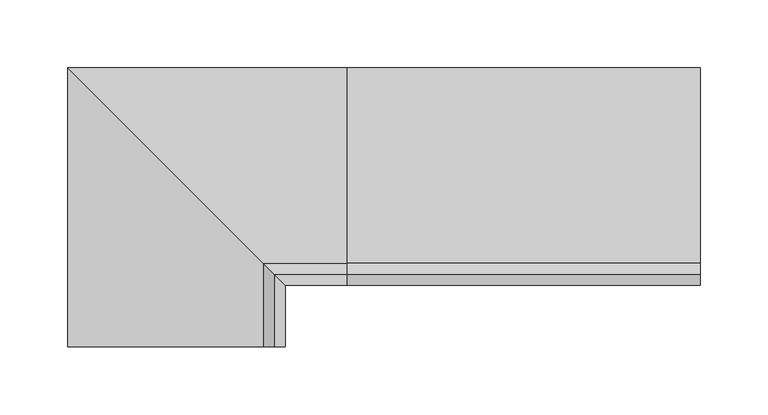
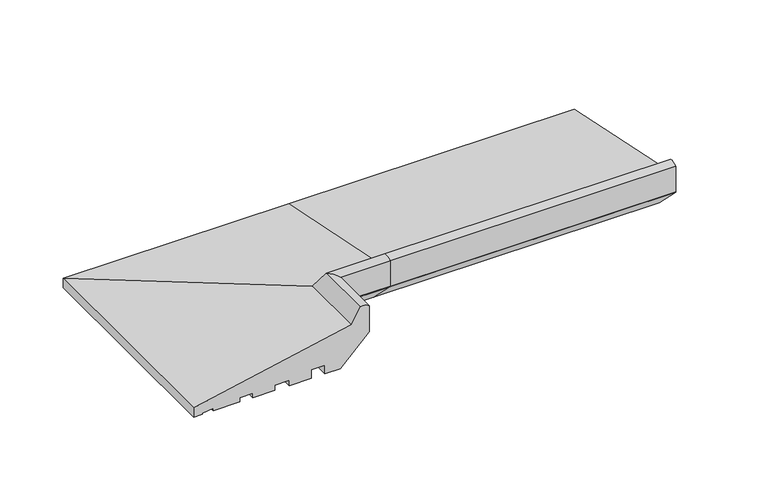
"""IFC4 building model written with IfcOpenShell, lengths in millimetres: proxy geometry."""

from ifc_helpers import new_model, si_unit, point, frame, frame_2d, origin, place, context, project, spatial, polyline, circle_curve, ellipse_curve, trimmed, segment, composite_curve, outline, extrude, source, transform, mapped, element, save
from ifc_brep_helpers import plane_surface, cylinder_surface, advanced_brep


def generic_models_9d031791(model_context):
    return source(origin(), model_context, "Body", "SolidModel", [
        advanced_brep(
        [(0.0, 16.9634146, 2.0714803), (0.0, 27.0536769, 0.9956448), (0.0, 27.0536769, 0.0), (0.0, 35.0, 0.0), (0.0, 35.0, 9.1871592), (0.0, -108.4970481, 38.6463845), (0.0, -116.6949035, 52.9234409), (0.0, -125.0, 51.2355304), (0.0, -125.0, 27.0076366), (0.0, -124.2741015, 25.9409736), (0.0, -98.3331279, 0.0), (0.0, -84.3282852, 0.0), (0.0, -84.3282852, 7.9636602), (0.0, -71.9994005, 7.9636602), (0.0, -71.9994005, 0.0), (0.0, -51.9659993, 0.0), (0.0, -51.9659993, 5.0), (0.0, -38.9970202, 5.0), (0.0, -38.9970202, 0.0), (0.0, -18.9957985, 0.0), (0.0, -18.9957985, 4.0148089), (0.0, -7.0449052, 4.0148089), (0.0, -7.0449052, 0.0), (0.0, 16.9634146, 0.0), (-186.9634146, -170.0, 2.0714803), (-186.9634146, -170.0, 0.0), (-162.9550948, -170.0, 0.0), (-162.9550948, -170.0, 4.0148089), (-151.0042015, -170.0, 4.0148089), (-151.0042015, -170.0, 0.0), (-131.0029798, -170.0, 0.0), (-131.0029798, -170.0, 5.0), (-118.0340007, -170.0, 5.0), (-118.0340007, -170.0, 0.0), (-98.0005995, -170.0, 0.0), (-98.0005995, -170.0, 7.9636602), (-85.6717148, -170.0, 7.9636602), (-85.6717148, -170.0, 0.0), (-71.6668721, -170.0, 0.0), (-45.7258985, -170.0, 25.9409736), (-45.0, -170.0, 27.0076366), (-45.0, -170.0, 51.2355304), (-53.3050965, -170.0, 52.9234409), (-61.5029519, -170.0, 38.6463845), (-205.0, -170.0, 9.1871592), (-205.0, -170.0, 0.0), (-197.0536769, -170.0, 0.0), (-197.0536769, -170.0, 0.9956448), (-186.9634146, 16.9634146, 2.0714803), (-197.0536769, 27.0536769, 0.9956448), (-205.0, 35.0, 0.0), (-205.0, 35.0, 9.1871592), (-197.0536769, 27.0536769, 0.0), (-61.5029519, -108.4970481, 38.6463845), (-53.3050965, -116.6949035, 52.9234409), (-45.0, -125.0, 51.2355304), (-45.0, -125.0, 27.0076366), (-45.7258985, -124.2741015, 25.9409736), (-71.6668721, -98.3331279, 0.0), (-85.6717148, -84.3282852, 0.0), (-85.6717148, -84.3282852, 7.9636602), (-98.0005995, -71.9994005, 7.9636602), (-98.0005995, -71.9994005, 0.0), (-118.0340007, -51.9659993, 0.0), (-118.0340007, -51.9659993, 5.0), (-131.0029798, -38.9970202, 5.0), (-131.0029798, -38.9970202, 0.0), (-151.0042015, -18.9957985, 0.0), (-151.0042015, -18.9957985, 4.0148089), (-162.9550948, -7.0449052, 4.0148089), (-162.9550948, -7.0449052, 0.0), (-186.9634146, 16.9634146, 0.0)],
        [
            (0, 1),
            (1, 2),
            (2, 3),
            (3, 4),
            (4, 5),
            (5, 6),
            (6, 7, circle_curve(frame((0.0, -118.9446027, 42.7168184), z_axis=(1.0, 0.0, 0.0), x_axis=(0.0, 1.0, 0.0)), 10.4516166)),
            (7, 8),
            (8, 9, circle_curve(frame((0.0, -121.8315077, 28.3835674), z_axis=(1.0, 0.0, 0.0), x_axis=(0.0, 1.0, 0.0)), 3.4543493)),
            (9, 10),
            (10, 11),
            (11, 12),
            (12, 13),
            (13, 14),
            (14, 15),
            (15, 16),
            (16, 17),
            (17, 18),
            (18, 19),
            (19, 20),
            (20, 21),
            (21, 22),
            (22, 23),
            (23, 0),
            (24, 25),
            (25, 26),
            (26, 27),
            (27, 28),
            (28, 29),
            (29, 30),
            (30, 31),
            (31, 32),
            (32, 33),
            (33, 34),
            (34, 35),
            (35, 36),
            (36, 37),
            (37, 38),
            (38, 39),
            (39, 40, circle_curve(frame((-48.1684923, -170.0, 28.3835674), z_axis=(0.0, -1.0, 0.0), x_axis=(-1.0, 0.0, 0.0)), 3.4543493)),
            (40, 41),
            (41, 42, circle_curve(frame((-51.0553973, -170.0, 42.7168184), z_axis=(0.0, -1.0, 0.0), x_axis=(-1.0, 0.0, 0.0)), 10.4516166)),
            (42, 43),
            (43, 44),
            (44, 45),
            (45, 46),
            (46, 47),
            (47, 24),
            (0, 48),
            (48, 49),
            (49, 1),
            (3, 50),
            (50, 51),
            (51, 4),
            (2, 52),
            (52, 46),
            (45, 50),
            (49, 52),
            (51, 53),
            (53, 5),
            (53, 54),
            (54, 6),
            (54, 55, ellipse_curve(frame((-51.0553973, -118.9446027, 42.7168184), z_axis=(0.7071067811865492, 0.7071067811865458, 0.0), x_axis=(0.7071067811865458, -0.7071067811865491, 0.0)), 14.780818, 10.4516166)),
            (55, 7),
            (8, 56),
            (56, 57, ellipse_curve(frame((-48.1684923, -121.8315077, 28.3835674), z_axis=(0.7071067811865492, 0.7071067811865458, 0.0), x_axis=(0.7071067811865458, -0.7071067811865491, 0.0)), 4.8851877, 3.4543493)),
            (57, 9),
            (57, 58),
            (58, 10),
            (58, 38),
            (37, 59),
            (59, 11),
            (59, 60),
            (60, 12),
            (60, 36),
            (35, 61),
            (61, 13),
            (61, 62),
            (62, 14),
            (62, 34),
            (33, 63),
            (63, 15),
            (63, 64),
            (64, 16),
            (64, 32),
            (31, 65),
            (65, 17),
            (65, 66),
            (66, 18),
            (66, 30),
            (29, 67),
            (67, 19),
            (67, 68),
            (68, 20),
            (68, 28),
            (27, 69),
            (69, 21),
            (69, 70),
            (70, 22),
            (70, 26),
            (25, 71),
            (71, 23),
            (71, 48),
            (48, 24),
            (47, 49),
            (44, 51),
            (43, 53),
            (42, 54),
            (41, 55),
            (56, 40),
            (39, 57),
            (55, 56),
        ],
        [
            plane_surface(frame((0.0, 35.0, 0.0), z_axis=(1.0, 0.0, 0.0), x_axis=(0.0, 0.0, 1.0))),
            plane_surface(frame((-205.0, -170.0, 0.0), z_axis=(0.0, -1.0, 0.0), x_axis=(0.0, 0.0, 1.0))),
            plane_surface(frame((0.0, 16.9634146, 2.0714803), z_axis=(0.0, -0.10602024100591773, -0.9943639718418237), x_axis=(-1.0, 0.0, 0.0))),
            plane_surface(frame((0.0, 35.0, 0.0), z_axis=(0.0, 1.0, 0.0), x_axis=(-1.0, 0.0, 0.0))),
            plane_surface(frame((0.0, 27.0536769, 0.0), z_axis=(0.0, 0.0, -1.0), x_axis=(-1.0, 0.0, 0.0))),
            plane_surface(frame((0.0, 27.0536769, 0.9956448), z_axis=(0.0, -1.0, 0.0), x_axis=(-1.0, 0.0, 0.0))),
            plane_surface(frame((0.0, 35.0, 9.1871592), z_axis=(0.0, 0.20110092371128924, 0.9795705275693355), x_axis=(-1.0, 0.0, 0.0))),
            plane_surface(frame((0.0, -108.4970481, 38.6463845), z_axis=(0.0, 0.867206740138978, 0.49794826022140815), x_axis=(-1.0, 0.0, 0.0))),
            cylinder_surface(frame((0.0, -118.9446027, 42.7168184), z_axis=(1.0, 0.0, 0.0), x_axis=(0.0, 1.0, 0.0)), 10.4516166),
            cylinder_surface(frame((0.0, -121.8315077, 28.3835674), z_axis=(1.0, 0.0, 0.0), x_axis=(0.0, 1.0, 0.0)), 3.4543493),
            plane_surface(frame((0.0, -124.2741015, 25.9409736), z_axis=(0.0, -0.7071067811865471, -0.707106781186548), x_axis=(-1.0, 0.0, 0.0))),
            plane_surface(frame((0.0, -98.3331279, 0.0), z_axis=(0.0, 0.0, -1.0), x_axis=(-1.0, 0.0, 0.0))),
            plane_surface(frame((0.0, -84.3282852, 0.0), z_axis=(0.0, 1.0, 0.0), x_axis=(-1.0, 0.0, 0.0))),
            plane_surface(frame((0.0, -84.3282852, 7.9636602), z_axis=(0.0, 0.0, -1.0), x_axis=(-1.0, 0.0, 0.0))),
            plane_surface(frame((0.0, -71.9994005, 7.9636602), z_axis=(0.0, -1.0, 0.0), x_axis=(-1.0, 0.0, 0.0))),
            plane_surface(frame((0.0, -71.9994005, 0.0), z_axis=(0.0, 0.0, -1.0), x_axis=(-1.0, 0.0, 0.0))),
            plane_surface(frame((0.0, -51.9659993, 0.0), z_axis=(0.0, 1.0, 0.0), x_axis=(-1.0, 0.0, 0.0))),
            plane_surface(frame((0.0, -51.9659993, 5.0), z_axis=(0.0, 0.0, -1.0), x_axis=(-1.0, 0.0, 0.0))),
            plane_surface(frame((0.0, -38.9970202, 5.0), z_axis=(0.0, -1.0, 0.0), x_axis=(-1.0, 0.0, 0.0))),
            plane_surface(frame((0.0, -38.9970202, 0.0), z_axis=(0.0, 0.0, -1.0), x_axis=(-1.0, 0.0, 0.0))),
            plane_surface(frame((0.0, -18.9957985, 0.0), z_axis=(0.0, 1.0, 0.0), x_axis=(-1.0, 0.0, 0.0))),
            plane_surface(frame((0.0, -18.9957985, 4.0148089), z_axis=(0.0, 0.0, -1.0), x_axis=(-1.0, 0.0, 0.0))),
            plane_surface(frame((0.0, -7.0449052, 4.0148089), z_axis=(0.0, -1.0, 0.0), x_axis=(-1.0, 0.0, 0.0))),
            plane_surface(frame((0.0, -7.0449052, 0.0), z_axis=(0.0, 0.0, -1.0), x_axis=(-1.0, 0.0, 0.0))),
            plane_surface(frame((0.0, 16.9634146, 0.0), z_axis=(0.0, 1.0, 0.0), x_axis=(-1.0, 0.0, 0.0))),
            plane_surface(frame((-186.9634146, 16.9634146, 2.0714803), z_axis=(0.1060202410059177, 0.0, -0.9943639718418237), x_axis=(0.0, -1.0, 0.0))),
            plane_surface(frame((-205.0, 35.0, 0.0), z_axis=(-1.0, 0.0, 0.0), x_axis=(0.0, -1.0, 0.0))),
            plane_surface(frame((-197.0536769, 27.0536769, 0.9956448), z_axis=(1.0, 0.0, 0.0), x_axis=(0.0, -1.0, 0.0))),
            plane_surface(frame((-205.0, 35.0, 9.1871592), z_axis=(-0.20110092371128918, 0.0, 0.9795705275693355), x_axis=(0.0, -1.0, 0.0))),
            plane_surface(frame((-61.5029519, -108.4970481, 38.6463845), z_axis=(-0.867206740138978, 0.0, 0.49794826022140826), x_axis=(0.0, -1.0, 0.0))),
            cylinder_surface(frame((-51.0553973, 35.0, 42.7168184), z_axis=(0.0, 1.0, 0.0), x_axis=(-1.0, 0.0, 0.0)), 10.4516166),
            cylinder_surface(frame((-48.1684923, 35.0, 28.3835674), z_axis=(0.0, 1.0, 0.0), x_axis=(-1.0, 0.0, 0.0)), 3.4543493),
            plane_surface(frame((-45.7258985, -124.2741015, 25.9409736), z_axis=(0.707106781186547, 0.0, -0.707106781186548), x_axis=(0.0, -1.0, 0.0))),
            plane_surface(frame((-85.6717148, -84.3282852, 0.0), z_axis=(-1.0, 0.0, 0.0), x_axis=(0.0, -1.0, 0.0))),
            plane_surface(frame((-98.0005995, -71.9994005, 7.9636602), z_axis=(1.0, 0.0, 0.0), x_axis=(0.0, -1.0, 0.0))),
            plane_surface(frame((-118.0340007, -51.9659993, 0.0), z_axis=(-1.0, 0.0, 0.0), x_axis=(0.0, -1.0, 0.0))),
            plane_surface(frame((-131.0029798, -38.9970202, 5.0), z_axis=(1.0, 0.0, 0.0), x_axis=(0.0, -1.0, 0.0))),
            plane_surface(frame((-151.0042015, -18.9957985, 0.0), z_axis=(-1.0, 0.0, 0.0), x_axis=(0.0, -1.0, 0.0))),
            plane_surface(frame((-162.9550948, -7.0449052, 4.0148089), z_axis=(1.0, 0.0, 0.0), x_axis=(0.0, -1.0, 0.0))),
            plane_surface(frame((-186.9634146, 16.9634146, 0.0), z_axis=(-1.0, 0.0, 0.0), x_axis=(0.0, -1.0, 0.0))),
            plane_surface(frame((0.0, -125.0, 51.2355304), z_axis=(0.0, -1.0, 0.0), x_axis=(-1.0, 0.0, 0.0))),
            plane_surface(frame((-45.0, -125.0, 51.2355304), z_axis=(1.0, 0.0, 0.0), x_axis=(0.0, -1.0, 0.0))),
        ],
        [
            (0, [[1, 2, 3, 4, 5, 6, 7, 8, 9, 10, 11, 12, 13, 14, 15, 16, 17, 18, 19, 20, 21, 22, 23, 24]]),
            (1, [[25, 26, 27, 28, 29, 30, 31, 32, 33, 34, 35, 36, 37, 38, 39, 40, 41, 42, 43, 44, 45, 46, 47, 48]]),
            (2, [[-1, 49, 50, 51]]),
            (3, [[-4, 52, 53, 54]]),
            (4, [[-3, 55, 56, -46, 57, -52]]),
            (5, [[-2, -51, 58, -55]]),
            (6, [[-5, -54, 59, 60]]),
            (7, [[-6, -60, 61, 62]]),
            (8, [[-7, -62, 63, 64]]),
            (9, [[-9, 65, 66, 67]]),
            (10, [[-10, -67, 68, 69]]),
            (11, [[-11, -69, 70, -38, 71, 72]]),
            (12, [[-12, -72, 73, 74]]),
            (13, [[-13, -74, 75, -36, 76, 77]]),
            (14, [[-14, -77, 78, 79]]),
            (15, [[-15, -79, 80, -34, 81, 82]]),
            (16, [[-16, -82, 83, 84]]),
            (17, [[-17, -84, 85, -32, 86, 87]]),
            (18, [[-18, -87, 88, 89]]),
            (19, [[-19, -89, 90, -30, 91, 92]]),
            (20, [[-20, -92, 93, 94]]),
            (21, [[-21, -94, 95, -28, 96, 97]]),
            (22, [[-22, -97, 98, 99]]),
            (23, [[-23, -99, 100, -26, 101, 102]]),
            (24, [[-24, -102, 103, -49]]),
            (25, [[-50, 104, -48, 105]]),
            (26, [[-53, -57, -45, 106]]),
            (27, [[-58, -105, -47, -56]]),
            (28, [[-59, -106, -44, 107]]),
            (29, [[-61, -107, -43, 108]]),
            (30, [[-63, -108, -42, 109]]),
            (31, [[-66, 110, -40, 111]]),
            (32, [[-68, -111, -39, -70]]),
            (33, [[-73, -71, -37, -75]]),
            (34, [[-78, -76, -35, -80]]),
            (35, [[-83, -81, -33, -85]]),
            (36, [[-88, -86, -31, -90]]),
            (37, [[-93, -91, -29, -95]]),
            (38, [[-98, -96, -27, -100]]),
            (39, [[-103, -101, -25, -104]]),
            (40, [[-8, -64, 112, -65]]),
            (41, [[-112, -109, -41, -110]]),
        ],
    ),
        extrude(outline(composite_curve([segment(polyline([(16.9634146, 2.0714803), (16.9634146, 0.0), (-7.0449052, 0.0), (-7.0449052, 4.0148089), (-18.9957985, 4.0148089), (-18.9957985, 0.0), (-38.9970202, 0.0), (-38.9970202, 5.0), (-51.9659993, 5.0), (-51.9659993, 0.0), (-71.9994005, 0.0), (-71.9994005, 7.9636602), (-84.3282852, 7.9636602), (-84.3282852, 0.0), (-98.3331279, 0.0), (-124.2741015, 25.9409736)]), True, "CONTINUOUS"), segment(trimmed(circle_curve(frame_2d((-121.8315077, 28.3835674)), 3.4543493), [point((-124.2741015, 25.9409736))], [point((-125.0, 27.0076366))], False, "CARTESIAN"), True, "CONTINUOUS"), segment(polyline([(-125.0, 27.0076366), (-125.0, 51.2355304)]), True, "CONTINUOUS"), segment(trimmed(circle_curve(frame_2d((-118.9446027, 42.7168184)), 10.4516166), [point((-125.0, 51.2355304))], [point((-116.6949035, 52.9234409))], False, "CARTESIAN"), True, "CONTINUOUS"), segment(polyline([(-116.6949035, 52.9234409), (-108.4970481, 38.6463845), (35.0, 9.1871592), (35.0, 0.0), (27.0536769, 0.0), (27.0536769, 0.9956448), (16.9634146, 2.0714803)]), True, "CONTINUOUS")], self_intersect=False)), frame((0.0, 0.0, 0.0), z_axis=(1.0, 0.0, 0.0), x_axis=(0.0, 1.0, 0.0)), (0.0, 0.0, 1.0), 260.0),
    ])


if __name__ == "__main__":
    model = new_model("IFC4")
    model_context = context("Model", 3, world=origin())
    ifc_project = project(units=[si_unit("LENGTHUNIT", "METRE", prefix="MILLI")], contexts=[model_context])
    site = spatial("IfcSite", under=ifc_project)
    building = spatial("IfcBuilding", under=site)
    placement = place(None, origin())
    generic_models_shape = generic_models_9d031791(model_context)
    element("IfcBuildingElementProxy", 1, Name="Generic Models", at=placement, inside=building, context=model_context, shape_type="MappedRepresentation", body=[
        mapped(generic_models_shape, transform((0.0, 0.0, 0.0), x_axis=(1.0, 0.0, 0.0), y_axis=(0.0, 1.0, 0.0), z_axis=(0.0, 0.0, 1.0))),
    ])
    save(model, "model.ifc")
